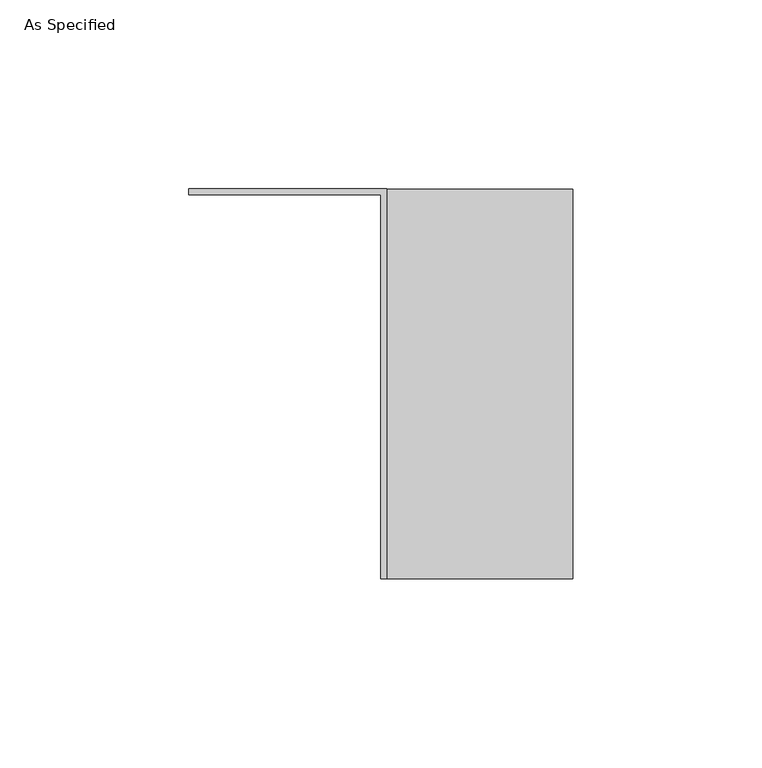
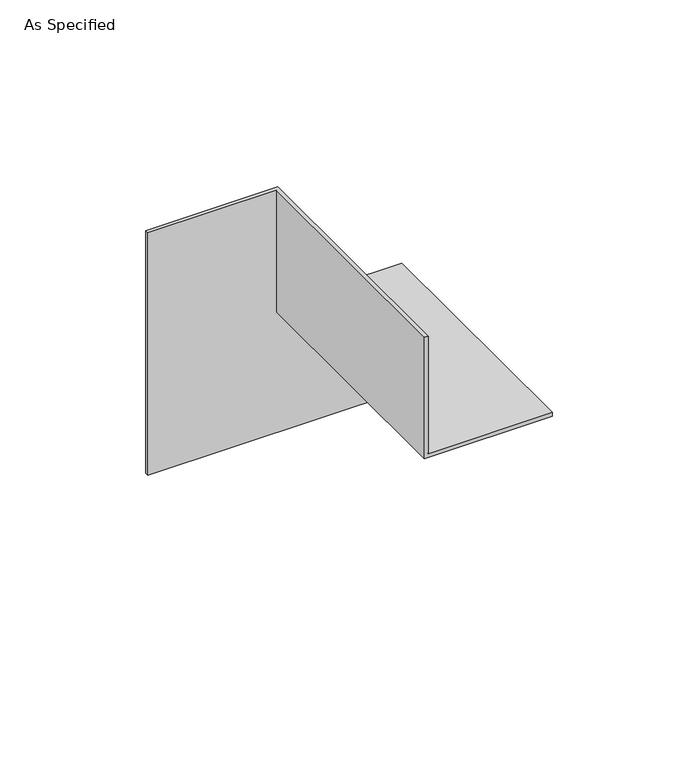
"""IFC4 building model written with IfcOpenShell, lengths in millimetres: proxy geometry, As Specified."""

from ifc_helpers import new_model, si_unit, origin, place, context, project, spatial, faceted_brep, source, transform, mapped, element, save


def as_specified_6c86d71b(model_context):
    return source(origin(), model_context, "Body", "Brep", [
        faceted_brep([(50.8, 0.0, 0.0), (50.8, 1.5875, 0.0), (50.8, 1.5875, 52.3875), (50.8, -101.6, 52.3875), (50.8, -101.6, 50.8), (50.8, 0.0, 50.8), (-50.8, 0.0, 0.0), (-50.8, 1.5875, 0.0), (-50.8, 1.5875, 101.6), (1.5875, 1.5875, 101.6), (1.5875, 1.5875, 52.3875), (1.5875, -101.6, 52.3875), (1.5875, -101.6, 101.6), (0.0, -101.6, 101.6), (0.0, -101.6, 50.8), (0.0, 0.0, 50.8), (0.0, 0.0, 101.6), (-50.8, 0.0, 101.6)], [[[0, 1, 2, 3, 4, 5]], [[1, 0, 6, 7]], [[2, 1, 7, 8, 9, 10]], [[3, 2, 10, 11]], [[4, 3, 11, 12, 13, 14]], [[5, 4, 14, 15]], [[0, 5, 15, 16, 17, 6]], [[17, 16, 13, 12, 9, 8]], [[7, 6, 17, 8]], [[11, 10, 9, 12]], [[15, 14, 13, 16]]]),
    ])


if __name__ == "__main__":
    model = new_model("IFC4")
    model_context = context("Model", 3, world=origin())
    ifc_project = project(units=[si_unit("LENGTHUNIT", "METRE", prefix="MILLI")], contexts=[model_context])
    site = spatial("IfcSite", under=ifc_project)
    building = spatial("IfcBuilding", under=site)
    placement = place(None, origin())
    as_specified_shape = as_specified_6c86d71b(model_context)
    element("IfcBuildingElementProxy", 1, Name="As Specified", ObjectType="As Specified", at=placement, inside=building, context=model_context, shape_type="MappedRepresentation", body=[
        mapped(as_specified_shape, transform((0.0, 0.0, 0.0), x_axis=(1.0, 0.0, 0.0), y_axis=(0.0, 1.0, 0.0), z_axis=(0.0, 0.0, 1.0))),
    ])
    save(model, "model.ifc")
